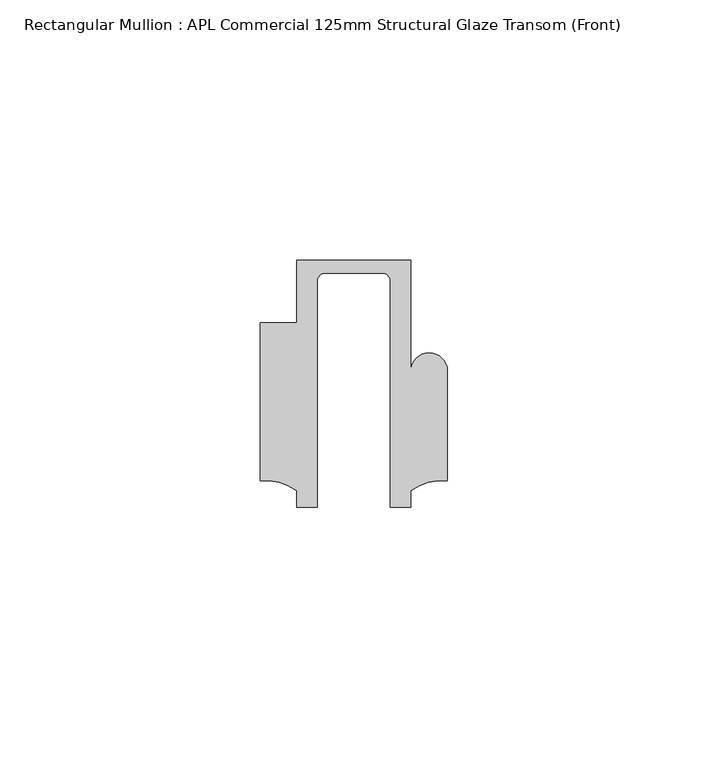
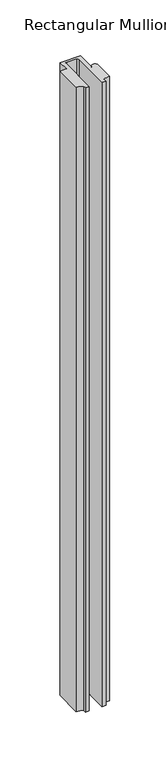
"""IFC4 building model written with IfcOpenShell, lengths in millimetres: member geometry, Rectangular Mullion : APL Commercial 125mm Structural Glaze Transom (Front)."""

from ifc_helpers import new_model, si_unit, frame, origin, place, context, project, spatial, polyline, circle_curve, source, transform, mapped, element, save
from ifc_brep_helpers import plane_surface, cylinder_surface, revolved_surface, advanced_brep


def rectangular_mullion_apl_commercial_125mm_structural_glaze_76e03a2a(model_context):
    return source(origin(), model_context, "Body", "AdvancedBrep", [
        advanced_brep(
        [(-11.0000151, 27.0, 0.0), (-11.0000151, 15.0006281, 0.0), (-17.9999542, 15.0006281, 0.0), (-17.9999542, -15.3797475, 0.0), (-10.9999994, -17.3125325, 0.0), (-10.9999994, -20.5, 0.0), (-6.9999853, -20.5, 0.0), (-6.9999853, 22.9976091, 0.0), (-5.4999873, 24.5, 0.0), (5.4999872, 24.5, 0.0), (6.9999849, 22.9973451, 0.0), (6.9999849, -20.5, 0.0), (11.0000151, -20.5, 0.0), (11.0000151, -17.3125212, 0.0), (17.9999542, -15.3797475, 0.0), (17.9999542, 5.684606, 0.0), (11.001071, 5.5848769, 0.0), (11.001071, 27.0, 0.0), (-11.0000151, 27.0, -710.0244478), (11.001071, 27.0, -710.0244478), (11.001071, 5.5848769, -710.0244478), (17.9999091, 5.6750512, -710.0244478), (17.9999542, -15.3797475, -710.0244478), (11.0000151, -17.3125212, -710.0244478), (11.0000151, -20.5, -710.0244478), (6.9999849, -20.5, -710.0244478), (6.9999849, 22.9973451, -710.0244478), (5.4999872, 24.5, -710.0244478), (-5.4999873, 24.5, -710.0244478), (-6.9999853, 22.9976091, -710.0244478), (-6.9999853, -20.5, -710.0244478), (-10.9999994, -20.5, -710.0244478), (-10.9999994, -17.3125325, -710.0244478), (-17.9999542, -15.3797475, -710.0244478), (-17.9999542, 15.0006281, -710.0244478), (-11.0000151, 15.0006281, -710.0244478)],
        [
            (0, 1),
            (1, 2),
            (2, 3),
            (3, 4, circle_curve(frame((-17.109817, -25.7981812, 0.0), z_axis=(0.0, 0.0, -1.0), x_axis=(0.0, 1.0, 0.0)), 10.4563907)),
            (4, 5),
            (5, 6),
            (6, 7),
            (7, 8, circle_curve(frame((-5.4999873, 23.0, 0.0), z_axis=(0.0, 0.0, -1.0), x_axis=(2.7320010112268853e-08, 0.9999999999999997, 0.0)), 1.5)),
            (8, 9),
            (9, 10, circle_curve(frame((5.4999872, 23.0, 0.0), z_axis=(0.0, 0.0, -1.0), x_axis=(0.9999999999999986, -5.463622857820516e-08, 0.0)), 1.5)),
            (10, 11),
            (11, 12),
            (12, 13),
            (13, 14, circle_curve(frame((17.109817, -25.7981812, 0.0), z_axis=(0.0, 0.0, -1.0), x_axis=(0.0, 1.0, 0.0)), 10.4563907)),
            (14, 15),
            (15, 16, circle_curve(frame((14.4999091, 5.6750512, 0.0), z_axis=(0.0, 0.0, 1.0), x_axis=(-0.9999826028573957, -0.005898642432633649, 0.0)), 3.5)),
            (16, 17),
            (17, 0),
            (18, 19),
            (19, 20),
            (20, 21, circle_curve(frame((14.4999091, 5.6750512, -710.0244478), z_axis=(0.0, 0.0, -1.0), x_axis=(-0.9999826028573957, -0.005898642432633649, 0.0)), 3.5)),
            (21, 22),
            (22, 23, circle_curve(frame((17.109817, -25.7981812, -710.0244478), z_axis=(0.0, 0.0, 1.0), x_axis=(0.0, 1.0, 0.0)), 10.4563907)),
            (23, 24),
            (24, 25),
            (25, 26),
            (26, 27, circle_curve(frame((5.4999872, 23.0, -710.0244478), z_axis=(0.0, 0.0, 1.0), x_axis=(0.9999999999999986, -5.463622857820516e-08, 0.0)), 1.5)),
            (27, 28),
            (28, 29, circle_curve(frame((-5.4999873, 23.0, -710.0244478), z_axis=(0.0, 0.0, 1.0), x_axis=(2.7320010112268853e-08, 0.9999999999999997, 0.0)), 1.5)),
            (29, 30),
            (30, 31),
            (31, 32),
            (32, 33, circle_curve(frame((-17.109817, -25.7981812, -710.0244478), z_axis=(0.0, 0.0, 1.0), x_axis=(0.0, 1.0, 0.0)), 10.4563907)),
            (33, 34),
            (34, 35),
            (35, 18),
            (0, 18),
            (35, 1),
            (34, 2),
            (33, 3),
            (32, 4),
            (31, 5),
            (30, 6),
            (29, 7),
            (28, 8),
            (27, 9),
            (26, 10),
            (25, 11),
            (24, 12),
            (23, 13),
            (22, 14),
            (21, 15),
            (20, 16),
            (19, 17),
        ],
        [
            plane_surface(frame((0.0, -29.1551636, 0.0), z_axis=(0.0, 0.0, 1.0), x_axis=(-1.0, 0.0, 0.0))),
            plane_surface(frame((0.0, -29.1551636, -710.0244478), z_axis=(0.0, 0.0, -1.0), x_axis=(-1.0, 0.0, 0.0))),
            plane_surface(frame((-11.0000151, 27.0, 0.0), z_axis=(-1.0, 0.0, 0.0), x_axis=(0.0, 0.0, -1.0))),
            plane_surface(frame((-11.0000151, 15.0006281, 0.0), z_axis=(0.0, 1.0, 0.0), x_axis=(0.0, 0.0, -1.0))),
            plane_surface(frame((-17.9999542, 15.0006281, 0.0), z_axis=(-1.0, 0.0, 0.0), x_axis=(0.0, 0.0, -1.0))),
            revolved_surface(polyline([(-17.109817, -15.341790499999998, -710.0244478), (-17.109817, -15.341790499999998, 0.0)]), (-17.109817, -25.7981812, 0.0), (0.0, 0.0, -1.0)),
            plane_surface(frame((-10.9999994, -17.3125325, 0.0), z_axis=(-1.0, 0.0, 0.0), x_axis=(0.0, 0.0, -1.0))),
            plane_surface(frame((-10.9999994, -20.5, 0.0), z_axis=(0.0, -1.0, 0.0), x_axis=(0.0, 0.0, -1.0))),
            plane_surface(frame((-6.9999853, -20.5, 0.0), z_axis=(1.0, 0.0, 0.0), x_axis=(0.0, 0.0, -1.0))),
            revolved_surface(polyline([(-5.499987259019985, 24.5, -710.0244478), (-5.499987259019985, 24.5, 0.0)]), (-5.4999873, 23.0, 0.0), (0.0, 0.0, -1.0)),
            plane_surface(frame((-5.4999873, 24.5, 0.0), z_axis=(0.0, -1.0, 0.0), x_axis=(0.0, 0.0, -1.0))),
            revolved_surface(polyline([(6.999987199999998, 22.999999918045656, -710.0244478), (6.999987199999998, 22.999999918045656, 0.0)]), (5.4999872, 23.0, 0.0), (0.0, 0.0, -1.0)),
            plane_surface(frame((6.9999849, 22.9973451, 0.0), z_axis=(-1.0, 0.0, 0.0), x_axis=(0.0, 0.0, -1.0))),
            plane_surface(frame((6.9999849, -20.5, 0.0), z_axis=(0.0, -1.0, 0.0), x_axis=(0.0, 0.0, -1.0))),
            plane_surface(frame((11.0000151, -20.5, 0.0), z_axis=(1.0, 0.0, 0.0), x_axis=(0.0, 0.0, -1.0))),
            revolved_surface(polyline([(17.109817, -15.341790499999998, -710.0244478), (17.109817, -15.341790499999998, 0.0)]), (17.109817, -25.7981812, 0.0), (0.0, 0.0, -1.0)),
            plane_surface(frame((17.9999542, -15.3797475, 0.0), z_axis=(1.0, 0.0, 0.0), x_axis=(0.0, 0.0, -1.0))),
            cylinder_surface(frame((14.4999091, 5.6750512, 0.0), z_axis=(0.0, 0.0, 1.0), x_axis=(-0.9999826028573957, -0.005898642432633649, 0.0)), 3.5),
            plane_surface(frame((11.001071, 5.5848769, 0.0), z_axis=(1.0, 0.0, 0.0), x_axis=(0.0, 0.0, -1.0))),
            plane_surface(frame((11.001071, 27.0, 0.0), z_axis=(0.0, 1.0, 0.0), x_axis=(0.0, 0.0, -1.0))),
        ],
        [
            (0, [[1, 2, 3, 4, 5, 6, 7, 8, 9, 10, 11, 12, 13, 14, 15, 16, 17, 18]]),
            (1, [[19, 20, 21, 22, 23, 24, 25, 26, 27, 28, 29, 30, 31, 32, 33, 34, 35, 36]]),
            (2, [[-1, 37, -36, 38]]),
            (3, [[-2, -38, -35, 39]]),
            (4, [[-3, -39, -34, 40]]),
            (5, [[-4, -40, -33, 41]]),
            (6, [[-5, -41, -32, 42]]),
            (7, [[-6, -42, -31, 43]]),
            (8, [[-7, -43, -30, 44]]),
            (9, [[-8, -44, -29, 45]]),
            (10, [[-9, -45, -28, 46]]),
            (11, [[-10, -46, -27, 47]]),
            (12, [[-11, -47, -26, 48]]),
            (13, [[-12, -48, -25, 49]]),
            (14, [[-13, -49, -24, 50]]),
            (15, [[-14, -50, -23, 51]]),
            (16, [[-15, -51, -22, 52]]),
            (17, [[-16, -52, -21, 53]]),
            (18, [[-17, -53, -20, 54]]),
            (19, [[-18, -54, -19, -37]]),
        ],
    ),
    ])


if __name__ == "__main__":
    model = new_model("IFC4")
    model_context = context("Model", 3, world=origin())
    ifc_project = project(units=[si_unit("LENGTHUNIT", "METRE", prefix="MILLI")], contexts=[model_context])
    site = spatial("IfcSite", under=ifc_project)
    building = spatial("IfcBuilding", under=site)
    placement = place(None, origin())
    rectangular_mullion_apl_commercial_125mm_structural_glaze_shape = rectangular_mullion_apl_commercial_125mm_structural_glaze_76e03a2a(model_context)
    element("IfcMember", 1, ObjectType="Rectangular Mullion : APL Commercial 125mm Structural Glaze Transom (Front)", at=placement, inside=building, context=model_context, shape_type="MappedRepresentation", body=[
        mapped(rectangular_mullion_apl_commercial_125mm_structural_glaze_shape, transform((0.0, 0.0, 0.0), x_axis=(1.0, 0.0, 0.0), y_axis=(0.0, 1.0, 0.0), z_axis=(0.0, 0.0, 1.0))),
    ])
    save(model, "model.ifc")
